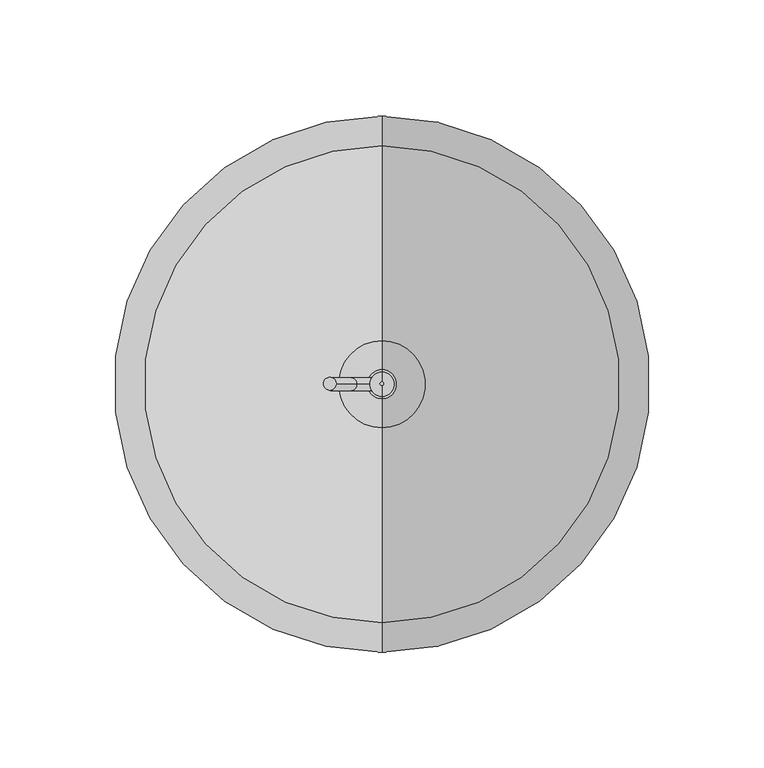
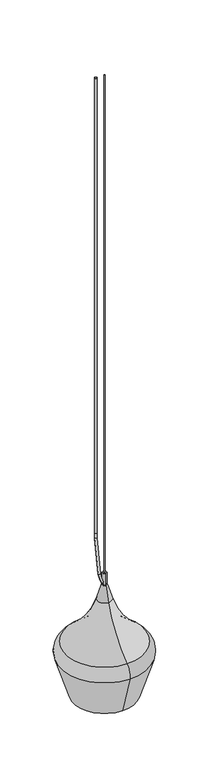
"""IFC4 building model written with IfcOpenShell, lengths in millimetres: furniture geometry."""

from ifc_helpers import new_model, si_unit, point, frame, origin, origin_2d, place, context, project, spatial, polyline, circle_curve, ellipse_curve, trimmed, segment, composite_curve, outline, extrude, source, transform, mapped, element, save
from ifc_brep_helpers import plane_surface, cylinder_surface, revolved_surface, advanced_brep


def furniture_01a0354f(model_context):
    return source(origin(), model_context, "Body", "SolidModel", [
        advanced_brep(
        [(0.0, -114.4871153, 1451.2239875), (0.0, 114.4871153, 1451.2239875), (0.0, 80.9501112, 1343.5737194), (0.0, -80.9501112, 1343.5737194), (0.0, -102.9835199, 1486.2463924), (0.0, 102.9835199, 1486.2463924), (0.0, -18.8581388, 1604.1856096), (0.0, 18.8581388, 1604.1856096), (0.0, -6.3819653, 1644.1702085), (0.0, 6.3819653, 1644.1702085), (0.0, -5.2672495, 1644.1702085), (0.0, 5.2672495, 1644.1702085), (0.0, -5.2672495, 1676.4), (0.0, 5.2672495, 1676.4), (0.0, 0.0, 1676.4), (0.0, -12.0100866, 1561.7507117), (0.0, 12.0100866, 1561.7507117), (0.0, 0.0, 1561.7507117), (0.0, -12.0097282, 1549.1213045), (0.0, 12.0097282, 1549.1213045), (0.0, -14.8309329, 1549.1213045), (0.0, 14.8309329, 1549.1213045), (0.0, -14.8309329, 1546.9954713), (0.0, 14.8309329, 1546.9954713), (0.0, -15.774827, 1546.9954713), (0.0, 15.774827, 1546.9954713), (0.0, -15.7756154, 1603.827631), (0.0, 15.7756154, 1603.827631), (0.0, -17.9055344, 1603.827631), (0.0, 17.9055344, 1603.827631), (0.0, -102.3816186, 1485.4278748), (0.0, 102.3816186, 1485.4278748), (0.0, -113.5170992, 1451.5261869), (0.0, 113.5170992, 1451.5261869), (0.0, -79.980095, 1343.875915), (0.0, 79.980095, 1343.875915)],
        [
            (0, 1, circle_curve(frame((0.0, 0.0, 1451.2239875), z_axis=(0.0, 0.0, -1.0), x_axis=(0.0, 1.0, 0.0)), 114.4871153)),
            (1, 2),
            (2, 3, circle_curve(frame((0.0, 0.0, 1343.5737194), z_axis=(0.0, 0.0, 1.0), x_axis=(0.0, 1.0, 0.0)), 80.9501112)),
            (3, 0),
            (1, 0, circle_curve(frame((0.0, 0.0, 1451.2239875), z_axis=(0.0, 0.0, -1.0), x_axis=(0.0, 1.0, 0.0)), 114.4871153)),
            (3, 2, circle_curve(frame((0.0, 0.0, 1343.5737194), z_axis=(0.0, 0.0, 1.0), x_axis=(0.0, 1.0, 0.0)), 80.9501112)),
            (4, 5, circle_curve(frame((0.0, 0.0, 1486.2463924), z_axis=(0.0, 0.0, -1.0), x_axis=(0.0, 1.0, 0.0)), 102.9835199)),
            (5, 1, circle_curve(frame((0.0, 84.174108, 1460.6677194), z_axis=(-1.0, 0.0, 0.0), x_axis=(0.0, 1.0, 0.0)), 31.7499998)),
            (0, 4, circle_curve(frame((0.0, -84.174108, 1460.6677194), z_axis=(-1.0, 0.0, 0.0), x_axis=(0.0, -1.0, 0.0)), 31.7499998)),
            (5, 4, circle_curve(frame((0.0, 0.0, 1486.2463924), z_axis=(0.0, 0.0, -1.0), x_axis=(0.0, 1.0, 0.0)), 102.9835199)),
            (6, 7, circle_curve(frame((0.0, 0.0, 1604.1856096), z_axis=(0.0, 0.0, -1.0), x_axis=(0.0, 1.0, 0.0)), 18.8581388)),
            (7, 5, circle_curve(frame((0.0, 240.5859284, 1673.3701067), z_axis=(1.0, 0.0, 0.0), x_axis=(0.0, 1.0, 0.0)), 232.270763)),
            (4, 6, circle_curve(frame((0.0, -240.5859284, 1673.3701067), z_axis=(1.0, 0.0, 0.0), x_axis=(0.0, -1.0, 0.0)), 232.270763)),
            (7, 6, circle_curve(frame((0.0, 0.0, 1604.1856096), z_axis=(0.0, 0.0, -1.0), x_axis=(0.0, 1.0, 0.0)), 18.8581388)),
            (8, 9, circle_curve(frame((0.0, 0.0, 1644.1702085), z_axis=(0.0, 0.0, -1.0), x_axis=(0.0, 1.0, 0.0)), 6.3819653)),
            (9, 7),
            (6, 8),
            (9, 8, circle_curve(frame((0.0, 0.0, 1644.1702085), z_axis=(0.0, 0.0, -1.0), x_axis=(0.0, 1.0, 0.0)), 6.3819653)),
            (10, 11, circle_curve(frame((0.0, 0.0, 1644.1702085), z_axis=(0.0, 0.0, -1.0), x_axis=(0.0, 1.0, 0.0)), 5.2672495)),
            (11, 9),
            (8, 10),
            (11, 10, circle_curve(frame((0.0, 0.0, 1644.1702085), z_axis=(0.0, 0.0, -1.0), x_axis=(0.0, 1.0, 0.0)), 5.2672495)),
            (12, 13, circle_curve(frame((0.0, 0.0, 1676.4), z_axis=(0.0, 0.0, -1.0), x_axis=(0.0, 1.0, 0.0)), 5.2672495)),
            (13, 11),
            (10, 12),
            (13, 12, circle_curve(frame((0.0, 0.0, 1676.4), z_axis=(0.0, 0.0, -1.0), x_axis=(0.0, 1.0, 0.0)), 5.2672495)),
            (14, 13),
            (12, 14),
            (15, 16, circle_curve(frame((0.0, 0.0, 1561.7507117), z_axis=(0.0, 0.0, -1.0), x_axis=(0.0, 1.0, 0.0)), 12.0100866)),
            (16, 17),
            (17, 15),
            (16, 15, circle_curve(frame((0.0, 0.0, 1561.7507117), z_axis=(0.0, 0.0, -1.0), x_axis=(0.0, 1.0, 0.0)), 12.0100866)),
            (18, 19, circle_curve(frame((0.0, 0.0, 1549.1213045), z_axis=(0.0, 0.0, -1.0), x_axis=(0.0, 1.0, 0.0)), 12.0097282)),
            (19, 16),
            (15, 18),
            (19, 18, circle_curve(frame((0.0, 0.0, 1549.1213045), z_axis=(0.0, 0.0, -1.0), x_axis=(0.0, 1.0, 0.0)), 12.0097282)),
            (20, 21, circle_curve(frame((0.0, 0.0, 1549.1213045), z_axis=(0.0, 0.0, -1.0), x_axis=(0.0, 1.0, 0.0)), 14.8309329)),
            (21, 19),
            (18, 20),
            (21, 20, circle_curve(frame((0.0, 0.0, 1549.1213045), z_axis=(0.0, 0.0, -1.0), x_axis=(0.0, 1.0, 0.0)), 14.8309329)),
            (22, 23, circle_curve(frame((0.0, 0.0, 1546.9954713), z_axis=(0.0, 0.0, -1.0), x_axis=(0.0, 1.0, 0.0)), 14.8309329)),
            (23, 21),
            (20, 22),
            (23, 22, circle_curve(frame((0.0, 0.0, 1546.9954713), z_axis=(0.0, 0.0, -1.0), x_axis=(0.0, 1.0, 0.0)), 14.8309329)),
            (24, 25, circle_curve(frame((0.0, 0.0, 1546.9954713), z_axis=(0.0, 0.0, -1.0), x_axis=(0.0, 1.0, 0.0)), 15.774827)),
            (25, 23),
            (22, 24),
            (25, 24, circle_curve(frame((0.0, 0.0, 1546.9954713), z_axis=(0.0, 0.0, -1.0), x_axis=(0.0, 1.0, 0.0)), 15.774827)),
            (26, 27, circle_curve(frame((0.0, 0.0, 1603.827631), z_axis=(0.0, 0.0, -1.0), x_axis=(0.0, 1.0, 0.0)), 15.7756154)),
            (27, 25),
            (24, 26),
            (27, 26, circle_curve(frame((0.0, 0.0, 1603.827631), z_axis=(0.0, 0.0, -1.0), x_axis=(0.0, 1.0, 0.0)), 15.7756154)),
            (28, 29, circle_curve(frame((0.0, 0.0, 1603.827631), z_axis=(0.0, 0.0, -1.0), x_axis=(0.0, 1.0, 0.0)), 17.9055344)),
            (29, 27),
            (26, 28),
            (29, 28, circle_curve(frame((0.0, 0.0, 1603.827631), z_axis=(0.0, 0.0, -1.0), x_axis=(0.0, 1.0, 0.0)), 17.9055344)),
            (30, 31, circle_curve(frame((0.0, 0.0, 1485.4278748), z_axis=(0.0, 0.0, -1.0), x_axis=(0.0, 1.0, 0.0)), 102.3816186)),
            (31, 29, circle_curve(frame((0.0, 240.5859284, 1673.3701067), z_axis=(-1.0, 0.0, 0.0), x_axis=(0.0, 1.0, 0.0)), 233.286763)),
            (28, 30, circle_curve(frame((0.0, -240.5859284, 1673.3701067), z_axis=(-1.0, 0.0, 0.0), x_axis=(0.0, -1.0, 0.0)), 233.286763)),
            (31, 30, circle_curve(frame((0.0, 0.0, 1485.4278748), z_axis=(0.0, 0.0, -1.0), x_axis=(0.0, 1.0, 0.0)), 102.3816186)),
            (32, 33, circle_curve(frame((0.0, 0.0, 1451.5261869), z_axis=(0.0, 0.0, -1.0), x_axis=(0.0, 1.0, 0.0)), 113.5170992)),
            (33, 31, circle_curve(frame((0.0, 84.174108, 1460.6677194), z_axis=(1.0, 0.0, 0.0), x_axis=(0.0, 1.0, 0.0)), 30.7339999)),
            (30, 32, circle_curve(frame((0.0, -84.174108, 1460.6677194), z_axis=(1.0, 0.0, 0.0), x_axis=(0.0, -1.0, 0.0)), 30.7339999)),
            (33, 32, circle_curve(frame((0.0, 0.0, 1451.5261869), z_axis=(0.0, 0.0, -1.0), x_axis=(0.0, 1.0, 0.0)), 113.5170992)),
            (34, 35, circle_curve(frame((0.0, 0.0, 1343.875915), z_axis=(0.0, 0.0, -1.0), x_axis=(0.0, 1.0, 0.0)), 79.980095)),
            (35, 33),
            (32, 34),
            (35, 34, circle_curve(frame((0.0, 0.0, 1343.875915), z_axis=(0.0, 0.0, -1.0), x_axis=(0.0, 1.0, 0.0)), 79.980095)),
            (2, 35),
            (34, 3),
        ],
        [
            revolved_surface(polyline([(0.0, 80.9501112, 1343.5737194), (0.0, 114.4871153, 1451.2239875)]), (0.0, 0.0, 1286.6441089), (0.0, 0.0, 1.0)),
            revolved_surface(trimmed(ellipse_curve(frame((0.0, 84.174108, 1460.6677194), z_axis=(1.0, 0.0, 0.0), x_axis=(0.0, 1.0, 0.0)), 31.7499998, 31.7499998), [point((0.0, 114.4871153, 1451.2239875))], [point((0.0, 102.9835199, 1486.2463924))], True, "CARTESIAN"), (0.0, 0.0, 1286.6441089), (0.0, 0.0, 1.0)),
            revolved_surface(trimmed(ellipse_curve(frame((0.0, 240.5859284, 1673.3701067), z_axis=(-1.0, 0.0, 0.0), x_axis=(0.0, 1.0, 0.0)), 232.270763, 232.270763), [point((0.0, 102.9835198, 1486.2463923))], [point((0.0, 18.8581388, 1604.1856096))], True, "CARTESIAN"), (0.0, 0.0, 1286.6441089), (0.0, 0.0, 1.0)),
            revolved_surface(polyline([(0.0, 18.8581388, 1604.1856096), (0.0, 6.3819653, 1644.1702085)]), (0.0, 0.0, 1286.6441089), (0.0, 0.0, 1.0)),
            plane_surface(frame((0.0, 0.0, 1644.1702085), z_axis=(0.0, 0.0, 1.0), x_axis=(0.0, 1.0, 0.0))),
            cylinder_surface(frame((0.0, 0.0, 1286.6441089), z_axis=(0.0, 0.0, 1.0), x_axis=(0.0, 1.0, 0.0)), 5.2672495),
            plane_surface(frame((0.0, 0.0, 1676.4), z_axis=(0.0, 0.0, 1.0), x_axis=(0.0, 1.0, 0.0))),
            plane_surface(frame((0.0, 0.0, 1561.7507117), z_axis=(0.0, 0.0, -1.0), x_axis=(0.0, 1.0, 0.0))),
            revolved_surface(polyline([(0.0, 12.0097282, 1561.7507117), (0.0, 12.0097282, 1549.1213045)]), (0.0, 0.0, 1286.6441089), (0.0, 0.0, 1.0)),
            plane_surface(frame((0.0, 0.0, 1549.1213045), z_axis=(0.0, 0.0, -1.0), x_axis=(0.0, 1.0, 0.0))),
            revolved_surface(polyline([(0.0, 14.8309329, 1549.1213045), (0.0, 14.8309329, 1546.9954713)]), (0.0, 0.0, 1286.6441089), (0.0, 0.0, 1.0)),
            plane_surface(frame((0.0, 0.0, 1546.9954713), z_axis=(0.0, 0.0, -1.0), x_axis=(0.0, 1.0, 0.0))),
            cylinder_surface(frame((0.0, 0.0, 1286.6441089), z_axis=(0.0, 0.0, 1.0), x_axis=(0.0, 1.0, 0.0)), 15.7756154),
            plane_surface(frame((0.0, 0.0, 1603.827631), z_axis=(0.0, 0.0, -1.0), x_axis=(0.0, 1.0, 0.0))),
            revolved_surface(trimmed(ellipse_curve(frame((0.0, 240.5859284, 1673.3701067), z_axis=(1.0, 0.0, 0.0), x_axis=(0.0, 1.0, 0.0)), 233.286763, 233.286763), [point((0.0, 17.9055344, 1603.827631))], [point((0.0, 102.3816186, 1485.4278748))], True, "CARTESIAN"), (0.0, 0.0, 1286.6441089), (0.0, 0.0, 1.0)),
            revolved_surface(trimmed(ellipse_curve(frame((0.0, 84.174108, 1460.6677194), z_axis=(-1.0, 0.0, 0.0), x_axis=(0.0, 1.0, 0.0)), 30.7339999, 30.7339999), [point((0.0, 102.3816187, 1485.4278749))], [point((0.0, 113.5170992, 1451.5261869))], True, "CARTESIAN"), (0.0, 0.0, 1286.6441089), (0.0, 0.0, 1.0)),
            revolved_surface(polyline([(0.0, 113.5170993, 1451.5261868), (0.0, 79.980095, 1343.875915)]), (0.0, 0.0, 1286.6441089), (0.0, 0.0, 1.0)),
            revolved_surface(polyline([(0.0, 79.980095, 1343.875915), (0.0, 80.9501112, 1343.5737194)]), (0.0, 0.0, 1286.6441089), (0.0, 0.0, 1.0)),
        ],
        [
            (0, [[1, 2, 3, 4]]),
            (0, [[5, -4, 6, -2]]),
            (1, [[7, 8, -1, 9]]),
            (1, [[10, -9, -5, -8]]),
            (2, [[11, 12, -7, 13]]),
            (2, [[14, -13, -10, -12]]),
            (3, [[15, 16, -11, 17]]),
            (3, [[18, -17, -14, -16]]),
            (4, [[19, 20, -15, 21]]),
            (4, [[22, -21, -18, -20]]),
            (5, [[23, 24, -19, 25]]),
            (5, [[26, -25, -22, -24]]),
            (6, [[27, -23, 28]]),
            (6, [[-28, -26, -27]]),
            (7, [[29, 30, 31]]),
            (7, [[32, -31, -30]]),
            (8, [[33, 34, -29, 35]]),
            (8, [[36, -35, -32, -34]]),
            (9, [[37, 38, -33, 39]]),
            (9, [[40, -39, -36, -38]]),
            (10, [[41, 42, -37, 43]]),
            (10, [[44, -43, -40, -42]]),
            (11, [[45, 46, -41, 47]]),
            (11, [[48, -47, -44, -46]]),
            (12, [[49, 50, -45, 51]]),
            (12, [[52, -51, -48, -50]]),
            (13, [[53, 54, -49, 55]]),
            (13, [[56, -55, -52, -54]]),
            (14, [[57, 58, -53, 59]]),
            (14, [[60, -59, -56, -58]]),
            (15, [[61, 62, -57, 63]]),
            (15, [[64, -63, -60, -62]]),
            (16, [[65, 66, -61, 67]]),
            (16, [[68, -67, -64, -66]]),
            (17, [[-3, 69, -65, 70]]),
            (17, [[-6, -70, -68, -69]]),
        ],
    ),
        advanced_brep(
        [(0.6021357, 0.0, 1648.2557331), (-2.3682407, 0.0, 1643.5225938), (-2.7501211, 0.0, 1652.0709622), (-7.8260673, 0.0, 1649.7341878), (-10.6957994, 0.0, 1677.3833208), (-16.1966016, 0.0, 1676.4), (-19.741253, 0.0, 1779.3879205), (-25.329253, 0.0, 1779.3879205), (-19.741253, 0.0, 1792.0879204), (-25.329253, 0.0, 1792.0879204), (-25.329253, 0.0, 3048.0), (-19.741253, 0.0, 3048.0)],
        [
            (0, 1, circle_curve(frame((-0.8830525, 0.0, 1645.8891635), z_axis=(0.8470184882891747, 0.0, -0.5315634303602169), x_axis=(-0.5315634303602169, 0.0, -0.8470184882891747)), 2.794)),
            (1, 0, circle_curve(frame((-0.8830525, 0.0, 1645.8891635), z_axis=(0.8470184882891747, 0.0, -0.5315634303602169), x_axis=(-0.5315634303602169, 0.0, -0.8470184882891747)), 2.794)),
            (0, 2, circle_curve(frame((5.3312429, 0.0, 1655.7913177), z_axis=(0.0, 1.0, 0.0), x_axis=(-0.5315634303602169, 0.0, -0.8470184882891747)), 8.8965998)),
            (2, 3, circle_curve(frame((-5.2880942, 0.0, 1650.902575), z_axis=(0.41817723360666303, 0.0, -0.9083654558012861), x_axis=(-0.9083654558012861, 0.0, -0.41817723360666303)), 2.794)),
            (3, 1, circle_curve(frame((5.3312429, 0.0, 1655.7913177), z_axis=(0.0, -1.0, 0.0), x_axis=(-0.5315634303602169, 0.0, -0.8470184882891747)), 14.4845998)),
            (3, 2, circle_curve(frame((-5.2880942, 0.0, 1650.902575), z_axis=(0.41817723360663467, 0.0, -0.9083654558012992), x_axis=(-0.9083654558012992, 0.0, -0.41817723360663467)), 2.794)),
            (2, 4, circle_curve(frame((92.180486, 0.0, 1695.7734372), z_axis=(0.0, 1.0, 0.0), x_axis=(-0.9083654558013188, 0.0, -0.4181772336065921)), 104.5070643)),
            (4, 5, circle_curve(frame((-13.4462005, 0.0, 1676.8916604), z_axis=(0.1759700794087641, 0.0, -0.984395515609896), x_axis=(-0.984395515609896, 0.0, -0.1759700794087641)), 2.794)),
            (5, 3, circle_curve(frame((92.180486, 0.0, 1695.7734372), z_axis=(0.0, -1.0, 0.0), x_axis=(-0.9083654558013188, 0.0, -0.4181772336065921)), 110.0950643)),
            (5, 4, circle_curve(frame((-13.4462005, 0.0, 1676.8916604), z_axis=(0.17597007940876203, 0.0, -0.9843955156098965), x_axis=(-0.9843955156098965, 0.0, -0.17597007940876203)), 2.794)),
            (4, 6, circle_curve(frame((559.9288818, 0.0, 1779.3879205), z_axis=(0.0, 1.0, 0.0), x_axis=(-0.9843955156099008, 0.0, -0.1759700794087381)), 579.6701348)),
            (6, 7, circle_curve(frame((-22.535253, 0.0, 1779.3879205), z_axis=(0.0, 0.0, -1.0), x_axis=(-1.0, 0.0, 0.0)), 2.794)),
            (7, 5, circle_curve(frame((559.9288818, 0.0, 1779.3879205), z_axis=(0.0, -1.0, 0.0), x_axis=(-0.9843955156099008, 0.0, -0.1759700794087381)), 585.2581348)),
            (7, 6, circle_curve(frame((-22.535253, 0.0, 1779.3879205), z_axis=(0.0, 0.0, -0.9999999999999999), x_axis=(-0.9999999999999999, 0.0, 0.0)), 2.794)),
            (6, 8),
            (8, 9, circle_curve(frame((-22.535253, 0.0, 1792.0879204), z_axis=(0.0, 0.0, -1.0), x_axis=(-1.0, 0.0, 0.0)), 2.794)),
            (9, 7),
            (9, 8, circle_curve(frame((-22.535253, 0.0, 1792.0879204), z_axis=(0.0, 0.0, -1.0), x_axis=(-1.0, 0.0, 0.0)), 2.794)),
            (10, 11, circle_curve(frame((-22.535253, 0.0, 3048.0), z_axis=(0.0, 0.0, 1.0), x_axis=(1.0, 0.0, 0.0)), 2.794)),
            (11, 10, circle_curve(frame((-22.535253, 0.0, 3048.0), z_axis=(0.0, 0.0, 1.0), x_axis=(1.0, 0.0, 0.0)), 2.794)),
            (10, 9),
            (8, 11),
        ],
        [
            plane_surface(frame((-2.3682407, 0.0, 1643.5225938), z_axis=(0.8470184882891748, 0.0, -0.5315634303602169), x_axis=(0.0, -1.0, 0.0))),
            revolved_surface(trimmed(ellipse_curve(frame((-0.8830525, 0.0, 1645.8891635), z_axis=(0.8470184882891747, 0.0, -0.5315634303602169), x_axis=(-0.5315634303602169, 0.0, -0.8470184882891747)), 2.794, 2.794), [point((0.6021357, 0.0, 1648.2557331))], [point((-2.3682407, 0.0, 1643.5225938))], True, "CARTESIAN"), (5.3312429, 0.0, 1655.7913177), (0.0, 1.0, 0.0)),
            revolved_surface(trimmed(ellipse_curve(frame((-0.8830525, 0.0, 1645.8891635), z_axis=(0.8470184882891747, 0.0, -0.5315634303602169), x_axis=(-0.5315634303602169, 0.0, -0.8470184882891747)), 2.794, 2.794), [point((-2.3682407, 0.0, 1643.5225938))], [point((0.6021357, 0.0, 1648.2557331))], True, "CARTESIAN"), (5.3312429, 0.0, 1655.7913177), (0.0, 1.0, 0.0)),
            revolved_surface(trimmed(ellipse_curve(frame((-5.2880942, 0.0, 1650.902575), z_axis=(0.4181772336065922, 0.0, -0.9083654558013188), x_axis=(-0.9083654558013188, 0.0, -0.4181772336065922)), 2.794, 2.794), [point((-2.7501211, 0.0, 1652.0709622))], [point((-7.8260673, 0.0, 1649.7341878))], True, "CARTESIAN"), (92.180486, 0.0, 1695.7734372), (0.0, 1.0, 0.0)),
            revolved_surface(trimmed(ellipse_curve(frame((-5.2880942, 0.0, 1650.902575), z_axis=(0.4181772336065922, 0.0, -0.9083654558013188), x_axis=(-0.9083654558013188, 0.0, -0.4181772336065922)), 2.794, 2.794), [point((-7.8260673, 0.0, 1649.7341878))], [point((-2.7501211, 0.0, 1652.0709622))], True, "CARTESIAN"), (92.180486, 0.0, 1695.7734372), (0.0, 1.0, 0.0)),
            revolved_surface(trimmed(ellipse_curve(frame((-13.4462005, 0.0, 1676.8916604), z_axis=(0.17597007940873818, 0.0, -0.9843955156099008), x_axis=(-0.9843955156099008, 0.0, -0.17597007940873818)), 2.794, 2.794), [point((-10.6957994, 0.0, 1677.3833208))], [point((-16.1966016, 0.0, 1676.4))], True, "CARTESIAN"), (559.9288818, 0.0, 1779.3879205), (0.0, 1.0, 0.0)),
            revolved_surface(trimmed(ellipse_curve(frame((-13.4462005, 0.0, 1676.8916604), z_axis=(0.17597007940873818, 0.0, -0.9843955156099008), x_axis=(-0.9843955156099008, 0.0, -0.17597007940873818)), 2.794, 2.794), [point((-16.1966016, 0.0, 1676.4))], [point((-10.6957994, 0.0, 1677.3833208))], True, "CARTESIAN"), (559.9288818, 0.0, 1779.3879205), (0.0, 1.0, 0.0)),
            cylinder_surface(frame((-22.535253, 0.0, 1779.3879205), z_axis=(0.0, 0.0, -1.0), x_axis=(-1.0, 0.0, 0.0)), 2.794),
            plane_surface(frame((-19.741253, 0.0, 3048.0), z_axis=(0.0, 0.0, 1.0), x_axis=(0.0, 1.0, 0.0))),
            cylinder_surface(frame((-22.535253, 0.0, 1792.0879204), z_axis=(0.0, 0.0, 1.0), x_axis=(1.0, 0.0, 0.0)), 2.794),
        ],
        [
            (0, [[1, 2]]),
            (1, [[-1, 3, 4, 5]]),
            (2, [[-2, -5, 6, -3]]),
            (3, [[-4, 7, 8, 9]]),
            (4, [[-6, -9, 10, -7]]),
            (5, [[-8, 11, 12, 13]]),
            (6, [[-10, -13, 14, -11]]),
            (7, [[-12, 15, 16, 17]]),
            (7, [[-14, -17, 18, -15]]),
            (8, [[19, 20]]),
            (9, [[-19, 21, -16, 22]]),
            (9, [[-20, -22, -18, -21]]),
        ],
    ),
        extrude(outline(composite_curve([segment(trimmed(circle_curve(origin_2d(), 0.762), [point((-0.762, 0.0))], [point((0.762, 0.0))], False, "CARTESIAN"), True, "CONTINUOUS"), segment(trimmed(circle_curve(origin_2d(), 0.762), [point((0.762, 0.0))], [point((-0.762, 0.0))], False, "CARTESIAN"), True, "CONTINUOUS")], self_intersect=False)), frame((0.0, 0.0, 1676.4), z_axis=(0.0, 0.0, 1.0), x_axis=(1.0, 0.0, 0.0)), (0.0, 0.0, 1.0), 1371.6),
    ])


if __name__ == "__main__":
    model = new_model("IFC4")
    model_context = context("Model", 3, world=origin())
    ifc_project = project(units=[si_unit("LENGTHUNIT", "METRE", prefix="MILLI")], contexts=[model_context])
    site = spatial("IfcSite", under=ifc_project)
    building = spatial("IfcBuilding", under=site)
    placement = place(None, origin())
    furniture_shape = furniture_01a0354f(model_context)
    element("IfcFurniture", 1, at=placement, inside=building, context=model_context, shape_type="MappedRepresentation", body=[
        mapped(furniture_shape, transform((0.0, 0.0, 0.0), x_axis=(1.0, 0.0, 0.0), y_axis=(0.0, 1.0, 0.0), z_axis=(0.0, 0.0, 1.0))),
    ])
    save(model, "model.ifc")
